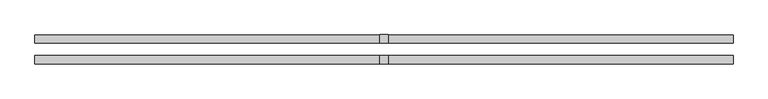
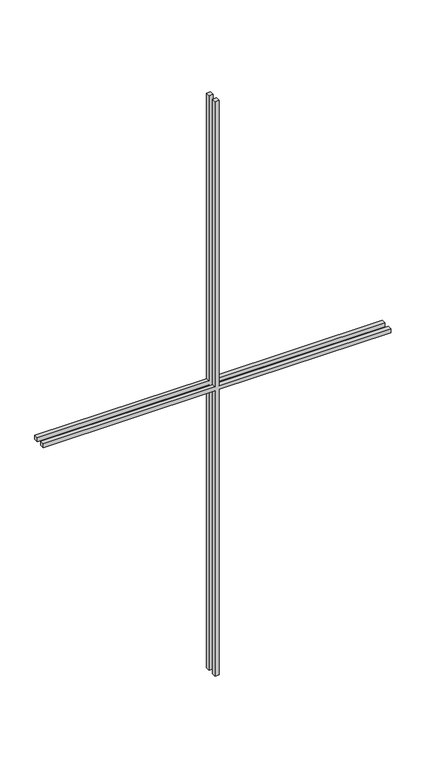
"""IFC4 building model written with IfcOpenShell, lengths in millimetres: proxy geometry."""

from ifc_helpers import new_model, si_unit, frame, origin, place, context, project, spatial, polyline, outline, extrude, source, transform, mapped, element, save


def generic_models_776d06b5(model_context):
    return source(origin(), model_context, "Body", "SweptSolid", [
        extrude(outline(polyline([(933.325, -6.35), (933.325, -530.65), (920.625, -530.65), (920.625, -6.35), (0.0, -6.35), (0.0, 6.35), (920.625, 6.35), (920.625, 530.65), (933.325, 530.65), (933.325, 6.35), (1853.95, 6.35), (1853.95, -6.35), (933.325, -6.35)])), frame((0.0, 9.525, 0.0), z_axis=(0.0, 1.0, 0.0), x_axis=(0.0, 0.0, 1.0)), (0.0, 0.0, 1.0), 12.7),
        extrude(outline(polyline([(933.325, -6.35), (933.325, -530.65), (920.625, -530.65), (920.625, -6.35), (0.0, -6.35), (0.0, 6.35), (920.625, 6.35), (920.625, 530.65), (933.325, 530.65), (933.325, 6.35), (1853.95, 6.35), (1853.95, -6.35), (933.325, -6.35)])), frame((0.0, -22.225, 0.0), z_axis=(0.0, 1.0, 0.0), x_axis=(0.0, 0.0, 1.0)), (0.0, 0.0, 1.0), 12.7),
    ])


if __name__ == "__main__":
    model = new_model("IFC4")
    model_context = context("Model", 3, world=origin())
    ifc_project = project(units=[si_unit("LENGTHUNIT", "METRE", prefix="MILLI")], contexts=[model_context])
    site = spatial("IfcSite", under=ifc_project)
    building = spatial("IfcBuilding", under=site)
    placement = place(None, origin())
    generic_models_shape = generic_models_776d06b5(model_context)
    element("IfcBuildingElementProxy", 1, Name="Generic Models", at=placement, inside=building, context=model_context, shape_type="MappedRepresentation", body=[
        mapped(generic_models_shape, transform((0.0, 0.0, 0.0), x_axis=(1.0, 0.0, 0.0), y_axis=(0.0, 1.0, 0.0), z_axis=(0.0, 0.0, 1.0))),
    ])
    save(model, "model.ifc")
